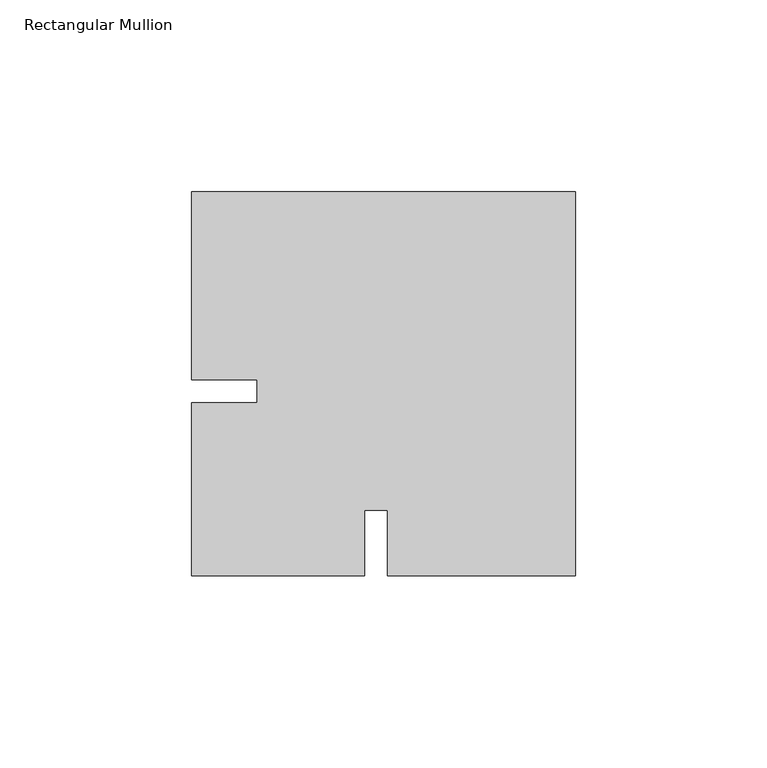
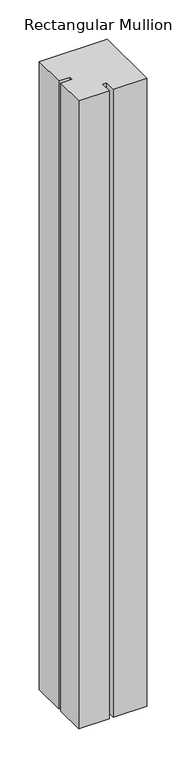
"""IFC4 building model written with IfcOpenShell, lengths in millimetres: member geometry, Rectangular Mullion."""

from ifc_helpers import new_model, si_unit, frame, origin, place, context, project, spatial, polyline, outline, extrude, source, transform, mapped, element, save


def rectangular_mullion_9b961ce3(model_context):
    return source(origin(), model_context, "Body", "SweptSolid", [
        extrude(outline(polyline([(-54.9919802, -48.0224054), (-100.0, -48.0224054), (-100.0, -3.0224029), (-83.002876, -3.0224029), (-83.002876, 2.9776133), (-100.0, 2.9776133), (-100.0, 51.9775946), (0.0, 51.9775946), (0.0, -48.0224054), (-48.9999814, -48.0224054), (-48.9999814, -31.0224007), (-54.9919802, -31.0224007), (-54.9919802, -48.0224054)])), frame((0.0, 0.0, -975.9288255), z_axis=(0.0, 0.0, 1.0), x_axis=(1.0, 0.0, 0.0)), (0.0, 0.0, 1.0), 975.9288255),
    ])


if __name__ == "__main__":
    model = new_model("IFC4")
    model_context = context("Model", 3, world=origin())
    ifc_project = project(units=[si_unit("LENGTHUNIT", "METRE", prefix="MILLI")], contexts=[model_context])
    site = spatial("IfcSite", under=ifc_project)
    building = spatial("IfcBuilding", under=site)
    placement = place(None, origin())
    rectangular_mullion_shape = rectangular_mullion_9b961ce3(model_context)
    element("IfcMember", 1, ObjectType="Rectangular Mullion", at=placement, inside=building, context=model_context, shape_type="MappedRepresentation", body=[
        mapped(rectangular_mullion_shape, transform((0.0, 0.0, 0.0), x_axis=(1.0, 0.0, 0.0), y_axis=(0.0, 1.0, 0.0), z_axis=(0.0, 0.0, 1.0))),
    ])
    save(model, "model.ifc")
